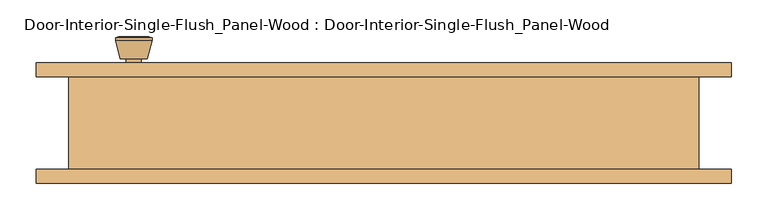
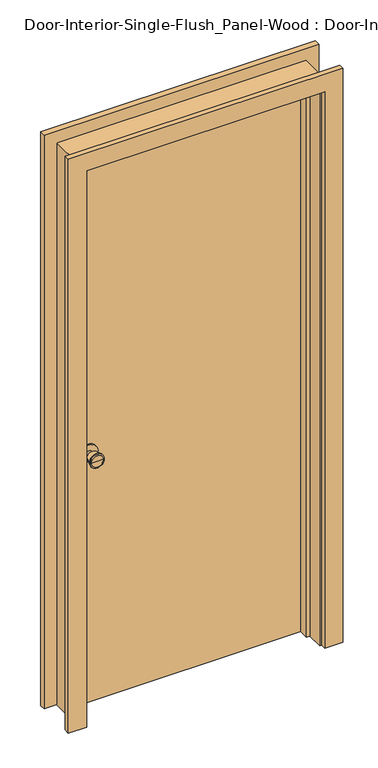
"""IFC4 building model written with IfcOpenShell, lengths in millimetres: door geometry, Door-Interior-Single-Flush_Panel-Wood : Door-Interior-Single-Flush_Panel-Wood."""

import ifcopenshell
import ifcopenshell.guid

model = None  # the IFC model being written
_history = None  # IfcOwnerHistory: only IFC2X3 demands one
_inside = {}  # id of a spatial element -> (the spatial element, [elements in it])
_under = {}  # id of a project, library or spatial element -> (it, [spatial elements below it])
_declared = {}  # id of a project -> (the project, [libraries it declares])
_typed = {}  # id of a type object -> (the type object, [elements of that type])
_made_of = {}  # id of a material, layer set ... -> (it, [elements and type objects made of it])


def new_model(schema):
    """Start an empty IFC model of exactly this schema.

    Asked for "IFC4X3", IfcOpenShell would pick the latest addendum, in which some entities
    have other attributes; the version numbers below select the first issue.
    IFC2X3 requires an IfcOwnerHistory on every rooted entity: one is made here for all.
    """
    global model, _history
    if schema == "IFC4X3":
        model = ifcopenshell.file(schema_version=(4, 3, 0, 0))
    else:
        model = ifcopenshell.file(schema=schema)
    _inside.clear()
    _under.clear()
    _declared.clear()
    _typed.clear()
    _made_of.clear()
    _history = None
    if model.schema == "IFC2X3":
        org = make("IfcOrganization", Name="unknown")
        user = make(
            "IfcPersonAndOrganization",
            ThePerson=make("IfcPerson", FamilyName="unknown"),
            TheOrganization=org,
        )
        app = make(
            "IfcApplication",
            ApplicationDeveloper=org,
            Version="unknown",
            ApplicationFullName="unknown",
            ApplicationIdentifier="unknown",
        )
        _history = make(
            "IfcOwnerHistory",
            OwningUser=user,
            OwningApplication=app,
            ChangeAction="ADDED",
            CreationDate=0,
        )
    return model


def make(cls, **values):
    """One entity of the class cls with the attributes given. An attribute that is None is left unset."""
    return model.create_entity(
        cls, **{name: value for name, value in values.items() if value is not None}
    )


def rooted(cls, **values):
    """An entity with a GlobalId (a new one), such as an element, a storey or a relation."""
    return make(cls, GlobalId=ifcopenshell.guid.new(), OwnerHistory=_history, **values)


def si_unit(unit_type, name, prefix=None):
    """IfcSIUnit, for example si_unit("LENGTHUNIT", "METRE", prefix="MILLI")."""
    return make("IfcSIUnit", UnitType=unit_type, Prefix=prefix, Name=name)


def assignment(units):
    """IfcUnitAssignment: the units of a project."""
    return None if units is None else make("IfcUnitAssignment", Units=units)


def point(xyz):
    """IfcCartesianPoint."""
    return None if xyz is None else make("IfcCartesianPoint", Coordinates=xyz)


def direction(xyz):
    """IfcDirection."""
    return None if xyz is None else make("IfcDirection", DirectionRatios=xyz)


def frame(location, z_axis=None, x_axis=None):
    """IfcAxis2Placement3D, a coordinate frame: its origin and axes. An axis left out is left unset."""
    return make(
        "IfcAxis2Placement3D",
        Location=point(location),
        Axis=direction(z_axis),
        RefDirection=direction(x_axis),
    )


def frame_2d(location, x_axis=None):
    """IfcAxis2Placement2D, a coordinate frame in the plane: its origin and x axis."""
    return make(
        "IfcAxis2Placement2D", Location=point(location), RefDirection=direction(x_axis)
    )


def origin():
    """The frame at (0, 0, 0) with its axes left unset."""
    return frame((0.0, 0.0, 0.0))


def origin_with_axes():
    """The frame at (0, 0, 0) with the z axis (0, 0, 1) and the x axis (1, 0, 0) written out."""
    return frame((0.0, 0.0, 0.0), z_axis=(0.0, 0.0, 1.0), x_axis=(1.0, 0.0, 0.0))


def place(relative_to, where):
    """IfcLocalPlacement: puts the frame where relative to a parent placement (None: the world)."""
    return make(
        "IfcLocalPlacement", PlacementRelTo=relative_to, RelativePlacement=where
    )


def context(
    kind, dimensions, precision=None, world=None, true_north=None, identifier=None
):
    """IfcGeometricRepresentationContext, for example the 3D "Model" context."""
    return make(
        "IfcGeometricRepresentationContext",
        ContextIdentifier=identifier,
        ContextType=kind,
        CoordinateSpaceDimension=dimensions,
        Precision=precision,
        WorldCoordinateSystem=world,
        TrueNorth=true_north,
    )


def project(units=None, contexts=None):
    """IfcProject with its units and contexts."""
    return rooted(
        "IfcProject",
        Name="project",
        RepresentationContexts=contexts,
        UnitsInContext=assignment(units),
    )


def spatial(cls, under=None, at=None, **own):
    """A site, building, storey or space (cls), placed at a placement, below another one or the project."""
    s = rooted(cls, ObjectPlacement=at, **own)
    if under is not None:
        _under.setdefault(under.id(), (under, []))[1].append(s)
    return s


def polyline(points):
    """IfcPolyline through the points."""
    return make("IfcPolyline", Points=[point(p) for p in points])


def circle_curve(where, radius):
    """IfcCircle in the frame where."""
    return make("IfcCircle", Position=where, Radius=radius)


def trimmed(basis, trim1, trim2, sense, master):
    """IfcTrimmedCurve: the piece of a basis curve between two trims."""
    return make(
        "IfcTrimmedCurve",
        BasisCurve=basis,
        Trim1=trim1,
        Trim2=trim2,
        SenseAgreement=sense,
        MasterRepresentation=master,
    )


def segment(curve, same_sense, transition):
    """IfcCompositeCurveSegment."""
    return make(
        "IfcCompositeCurveSegment",
        Transition=transition,
        SameSense=same_sense,
        ParentCurve=curve,
    )


def composite_curve(segments, self_intersect=None):
    """IfcCompositeCurve: segments joined end to end."""
    return make("IfcCompositeCurve", Segments=segments, SelfIntersect=self_intersect)


def outline(outer, holes=None, kind="AREA"):
    """IfcArbitraryClosedProfileDef: a profile drawn as a closed curve; with holes, ...WithVoids."""
    if holes is None:
        return make("IfcArbitraryClosedProfileDef", ProfileType=kind, OuterCurve=outer)
    return make(
        "IfcArbitraryProfileDefWithVoids",
        ProfileType=kind,
        OuterCurve=outer,
        InnerCurves=holes,
    )


def extrude(swept, where, along, depth):
    """IfcExtrudedAreaSolid: the profile swept, set in the frame where, extruded along a direction by depth."""
    return make(
        "IfcExtrudedAreaSolid",
        SweptArea=swept,
        Position=where,
        ExtrudedDirection=direction(along),
        Depth=depth,
    )


def faces_of(points, faces, orient=None, outer=None):
    """IfcFace entities. A face is a list of loops; a loop is a list of indices into points, from 0.

    orient and outer hold one flag for each loop. By default every Orientation is true, the
    first loop of a face is its IfcFaceOuterBound and the others are IfcFaceBound.
    """
    made = []
    for i, loops in enumerate(faces):
        bounds = []
        for j, loop in enumerate(loops):
            is_outer = j == 0 if outer is None else outer[i][j]
            bounds.append(
                make(
                    "IfcFaceOuterBound" if is_outer else "IfcFaceBound",
                    Bound=make("IfcPolyLoop", Polygon=[points[k] for k in loop]),
                    Orientation=True if orient is None else orient[i][j],
                )
            )
        made.append(make("IfcFace", Bounds=bounds))
    return made


def faceted_brep(points, faces, orient=None, outer=None, voids=None):
    """IfcFacetedBrep: a solid bounded by flat faces; with voids (closed shells), ...WithVoids."""
    shared = [point(p) for p in points]
    hull = make("IfcClosedShell", CfsFaces=faces_of(shared, faces, orient, outer))
    if voids is None:
        return make("IfcFacetedBrep", Outer=hull)
    return make(
        "IfcFacetedBrepWithVoids",
        Outer=hull,
        Voids=[
            make(cls, CfsFaces=faces_of(shared, fs, o, b)) for cls, fs, o, b in voids
        ],
    )


def shape(context_of_items, identifier, shape_type, items):
    """IfcShapeRepresentation: the items that make up one representation, for example the "Body"."""
    return make(
        "IfcShapeRepresentation",
        ContextOfItems=context_of_items,
        RepresentationIdentifier=identifier,
        RepresentationType=shape_type,
        Items=items,
    )


def source(mapping_origin, context_of_items, identifier, shape_type, items):
    """IfcRepresentationMap: a shape defined once, which mapped items show again and again."""
    return make(
        "IfcRepresentationMap",
        MappingOrigin=mapping_origin,
        MappedRepresentation=shape(context_of_items, identifier, shape_type, items),
    )


def transform(
    local_origin,
    x_axis=None,
    y_axis=None,
    z_axis=None,
    scale=None,
    scale2=None,
    scale3=None,
    uniform=True,
):
    """IfcCartesianTransformationOperator3D, or its non-uniform kind. x_axis, y_axis, z_axis: its Axis1, 2, 3."""
    if uniform:
        return make(
            "IfcCartesianTransformationOperator3D",
            Axis1=direction(x_axis),
            Axis2=direction(y_axis),
            LocalOrigin=point(local_origin),
            Scale=scale,
            Axis3=direction(z_axis),
        )
    return make(
        "IfcCartesianTransformationOperator3DnonUniform",
        Axis1=direction(x_axis),
        Axis2=direction(y_axis),
        LocalOrigin=point(local_origin),
        Scale=scale,
        Axis3=direction(z_axis),
        Scale2=scale2,
        Scale3=scale3,
    )


def mapped(mapping_source, mapping_target):
    """IfcMappedItem: shows the shape of a source again, moved by a transform."""
    return make(
        "IfcMappedItem", MappingSource=mapping_source, MappingTarget=mapping_target
    )


def made_of(thing, what):
    """Note that an element or type object is made of a material, layer set ...; save() writes the relation."""
    if what is not None:
        _made_of.setdefault(what.id(), (what, []))[1].append(thing)
    return thing


def element(
    cls,
    number,
    at=None,
    inside=None,
    cuts=None,
    type_object=None,
    material=None,
    context=None,
    identifier="Body",
    shape_type=None,
    held_by="IfcProductDefinitionShape",
    body=None,
    shapes=None,
    **own,
):
    """One element of the class cls, such as IfcWall. Its Tag is "e" and its number.

    at: its placement. inside: the storey or other place that contains it. cuts: it is an
    opening in that element (IfcRelVoidsElement). A single representation is given by context,
    identifier, shape_type and body (its items); several are given by shapes. held_by: the class
    of the entity that holds the representations. save() writes the other relations.
    """
    e = rooted(cls, Tag="e%d" % number, ObjectPlacement=at, **own)
    if body is not None:
        shapes = [shape(context, identifier, shape_type, body)]
    if shapes is not None:
        e.Representation = make(held_by, Representations=shapes)
    if inside is not None:
        _inside.setdefault(inside.id(), (inside, []))[1].append(e)
    if cuts is not None:
        rooted(
            "IfcRelVoidsElement", RelatingBuildingElement=cuts, RelatedOpeningElement=e
        )
    if type_object is not None:
        _typed.setdefault(type_object.id(), (type_object, []))[1].append(e)
    return made_of(e, material)


def aggregate(whole, parts):
    """IfcRelAggregates: a whole, such as a stair, and the parts it consists of."""
    return rooted("IfcRelAggregates", RelatingObject=whole, RelatedObjects=parts)


def save(model, path):
    """Write the relations noted so far, then the file.

    IfcRelAggregates (storeys below a building ...), IfcRelContainedInSpatialStructure (elements
    in a storey), IfcRelDefinesByType, IfcRelAssociatesMaterial and IfcRelDeclares: one each for
    every whole, place, type object, material and project.
    """
    for whole, parts in _under.values():
        aggregate(whole, parts)
    for where, things in _inside.values():
        rooted(
            "IfcRelContainedInSpatialStructure",
            RelatedElements=things,
            RelatingStructure=where,
        )
    for kind, things in _typed.values():
        rooted("IfcRelDefinesByType", RelatedObjects=things, RelatingType=kind)
    for what, things in _made_of.values():
        rooted("IfcRelAssociatesMaterial", RelatedObjects=things, RelatingMaterial=what)
    for by, libraries in _declared.values():
        rooted("IfcRelDeclares", RelatingContext=by, RelatedDefinitions=libraries)
    model.write(path)


def plane_surface(at):
    """IfcPlane: the flat surface through the origin of the frame at, square to its z axis."""
    return make("IfcPlane", Position=at)


def cylinder_surface(at, radius):
    """IfcCylindricalSurface: all points at the distance radius from the z axis of the frame at."""
    return make("IfcCylindricalSurface", Position=at, Radius=radius)


def revolved_surface(curve, axis_point, axis_direction):
    """IfcSurfaceOfRevolution: the curve turned about the line through axis_point along axis_direction."""
    return make(
        "IfcSurfaceOfRevolution",
        SweptCurve=make("IfcArbitraryOpenProfileDef", ProfileType="CURVE", Curve=curve),
        AxisPosition=make("IfcAxis1Placement", Location=point(axis_point), Axis=direction(axis_direction)),
    )


def advanced_brep(points, edges, surfaces, faces):
    """IfcAdvancedBrep: a solid bounded by faces that lie on surfaces and meet in shared edges.

    An edge is (start, end): straight between two places in points (the first is 0);
    or (start, end, curve); or (start, end, curve, False) where it runs against its curve.
    A face is (place in surfaces, loops), or (place, loops, False) where it looks against
    its surface's normal. A loop lists edges by number (the first is 1), with a minus sign
    where the edge is run from its end to its start. The first loop is the outer one.
    """
    corners = [point(p) for p in points]
    vertices = [make("IfcVertexPoint", VertexGeometry=c) for c in corners]
    made = []
    for start, end, *more in edges:
        made.append(
            make(
                "IfcEdgeCurve",
                EdgeStart=vertices[start],
                EdgeEnd=vertices[end],
                EdgeGeometry=more[0] if more else make("IfcPolyline", Points=[corners[start], corners[end]]),
                SameSense=more[1] if len(more) > 1 else True,
            )
        )
    hull = []
    for where, loops, *sense in faces:
        bounds = []
        for j, loop in enumerate(loops):
            ring = [make("IfcOrientedEdge", EdgeElement=made[abs(k) - 1], Orientation=k > 0) for k in loop]
            bounds.append(
                make(
                    "IfcFaceOuterBound" if j == 0 else "IfcFaceBound",
                    Bound=make("IfcEdgeLoop", EdgeList=ring),
                    Orientation=True,
                )
            )
        hull.append(make("IfcAdvancedFace", Bounds=bounds, FaceSurface=surfaces[where], SameSense=sense[0] if sense else True))
    return make("IfcAdvancedBrep", Outer=make("IfcClosedShell", CfsFaces=hull))


def door_interior_single_flush_panel_wood_door_interior_single_7cd24c4d(model_context):
    return source(origin(), model_context, "Body", "SolidModel", [
        advanced_brep(
        [(-342.9, 19.4, 914.4), (-332.9, 19.4, 914.4), (-352.9, 19.4, 914.4), (-322.4241324, -29.6, 914.4), (-342.9, -29.6, 914.4), (-363.3758676, -29.6, 914.4), (-317.9, -27.7721319, 914.4), (-367.9, -27.7721319, 914.4), (-317.9, -24.3084537, 914.4), (-367.9, -24.3084537, 914.4), (-324.263764, 0.4, 914.4), (-361.536236, 0.4, 914.4), (-332.9, 0.4, 914.4), (-352.9, 0.4, 914.4)],
        [
            (0, 1),
            (1, 2, circle_curve(frame((-342.9, 19.4, 914.4), z_axis=(0.0, 1.0, 0.0), x_axis=(-1.0, 0.0, 0.0)), 10.0)),
            (2, 0),
            (2, 1, circle_curve(frame((-342.9, 19.4, 914.4), z_axis=(0.0, 1.0, 0.0), x_axis=(-1.0, 0.0, 0.0)), 10.0)),
            (3, 4),
            (4, 5),
            (5, 3, circle_curve(frame((-342.9, -29.6, 914.4), z_axis=(0.0, -1.0, 0.0), x_axis=(-1.0, 0.0, 0.0)), 20.4758676)),
            (3, 5, circle_curve(frame((-342.9, -29.6, 914.4), z_axis=(0.0, -1.0, 0.0), x_axis=(-1.0, 0.0, 0.0)), 20.4758676)),
            (6, 3),
            (5, 7),
            (7, 6, circle_curve(frame((-342.9, -27.7721319, 914.4), z_axis=(0.0, -1.0, 0.0), x_axis=(-1.0, 0.0, 0.0)), 25.0)),
            (6, 7, circle_curve(frame((-342.9, -27.7721319, 914.4), z_axis=(0.0, -1.0, 0.0), x_axis=(-1.0, 0.0, 0.0)), 25.0)),
            (8, 6),
            (7, 9),
            (9, 8, circle_curve(frame((-342.9, -24.3084537, 914.4), z_axis=(0.0, -1.0, 0.0), x_axis=(-1.0, 0.0, 0.0)), 25.0)),
            (8, 9, circle_curve(frame((-342.9, -24.3084537, 914.4), z_axis=(0.0, -1.0, 0.0), x_axis=(-1.0, 0.0, 0.0)), 25.0)),
            (10, 8),
            (9, 11),
            (11, 10, circle_curve(frame((-342.9, 0.4, 914.4), z_axis=(0.0, -1.0, 0.0), x_axis=(-1.0, 0.0, 0.0)), 18.636236)),
            (10, 11, circle_curve(frame((-342.9, 0.4, 914.4), z_axis=(0.0, -1.0, 0.0), x_axis=(-1.0, 0.0, 0.0)), 18.636236)),
            (12, 10),
            (11, 13),
            (13, 12, circle_curve(frame((-342.9, 0.4, 914.4), z_axis=(0.0, -1.0, 0.0), x_axis=(-1.0, 0.0, 0.0)), 10.0)),
            (12, 13, circle_curve(frame((-342.9, 0.4, 914.4), z_axis=(0.0, -1.0, 0.0), x_axis=(-1.0, 0.0, 0.0)), 10.0)),
            (1, 12),
            (13, 2),
        ],
        [
            plane_surface(frame((-342.9, 19.4, 914.4), z_axis=(0.0, 1.0, 0.0), x_axis=(-1.0, 0.0, 0.0))),
            plane_surface(frame((-342.9, -29.6, 914.4), z_axis=(0.0, -1.0, 0.0), x_axis=(-1.0, 0.0, 0.0))),
            revolved_surface(polyline([(-363.3758676, -29.6, 914.4), (-367.9, -27.7721319, 914.4)]), (-342.9, 19.4, 914.4), (0.0, 1.0, 0.0)),
            cylinder_surface(frame((-342.9, 19.4, 914.4), z_axis=(0.0, 1.0, 0.0), x_axis=(-1.0, 0.0, 0.0)), 25.0),
            revolved_surface(polyline([(-367.9, -24.3084537, 914.4), (-361.536236, 0.4, 914.4)]), (-342.9, 19.4, 914.4), (0.0, 1.0, 0.0)),
            plane_surface(frame((-342.9, 0.4, 914.4), z_axis=(0.0, 1.0, 0.0), x_axis=(-1.0, 0.0, 0.0))),
            cylinder_surface(frame((-342.9, 19.4, 914.4), z_axis=(0.0, 1.0, 0.0), x_axis=(-1.0, 0.0, 0.0)), 10.0),
        ],
        [
            (0, [[1, 2, 3]]),
            (0, [[-3, 4, -1]]),
            (1, [[5, 6, 7]]),
            (1, [[-6, -5, 8]]),
            (2, [[9, -7, 10, 11]]),
            (2, [[-10, -8, -9, 12]]),
            (3, [[13, -11, 14, 15]]),
            (3, [[-14, -12, -13, 16]]),
            (4, [[17, -15, 18, 19]]),
            (4, [[-18, -16, -17, 20]]),
            (5, [[21, -19, 22, 23]]),
            (5, [[-22, -20, -21, 24]]),
            (6, [[25, -23, 26, -2]]),
            (6, [[-26, -24, -25, -4]]),
        ],
    ),
        extrude(outline(composite_curve([segment(trimmed(circle_curve(frame_2d((914.4, -342.9)), 30.0), [point((914.4, -372.9))], [point((914.4, -312.9))], False, "CARTESIAN"), True, "CONTINUOUS"), segment(trimmed(circle_curve(frame_2d((914.4, -342.9)), 30.0), [point((914.4, -312.9))], [point((914.4, -372.9))], False, "CARTESIAN"), True, "CONTINUOUS")], self_intersect=False)), frame((0.0, 19.4, 0.0), z_axis=(0.0, 1.0, 0.0), x_axis=(0.0, 0.0, 1.0)), (0.0, 0.0, 1.0), 6.0),
        advanced_brep(
        [(-342.9, 66.325, 914.4), (-352.9, 66.325, 914.4), (-332.9, 66.325, 914.4), (-322.4241324, 115.325, 914.4), (-363.3758676, 115.325, 914.4), (-342.9, 115.325, 914.4), (-317.9, 113.4971319, 914.4), (-367.9, 113.4971319, 914.4), (-317.9, 110.0334537, 914.4), (-367.9, 110.0334537, 914.4), (-324.263764, 85.325, 914.4), (-361.536236, 85.325, 914.4), (-332.9, 85.325, 914.4), (-352.9, 85.325, 914.4)],
        [
            (0, 1),
            (1, 2, circle_curve(frame((-342.9, 66.325, 914.4), z_axis=(0.0, -1.0, 0.0), x_axis=(-1.0, 0.0, 0.0)), 10.0)),
            (2, 0),
            (2, 1, circle_curve(frame((-342.9, 66.325, 914.4), z_axis=(0.0, -1.0, 0.0), x_axis=(-1.0, 0.0, 0.0)), 10.0)),
            (3, 4, circle_curve(frame((-342.9, 115.325, 914.4), z_axis=(0.0, 1.0, 0.0), x_axis=(-1.0, 0.0, 0.0)), 20.4758676)),
            (4, 5),
            (5, 3),
            (4, 3, circle_curve(frame((-342.9, 115.325, 914.4), z_axis=(0.0, 1.0, 0.0), x_axis=(-1.0, 0.0, 0.0)), 20.4758676)),
            (6, 7, circle_curve(frame((-342.9, 113.4971319, 914.4), z_axis=(0.0, 1.0, 0.0), x_axis=(-1.0, 0.0, 0.0)), 25.0)),
            (7, 4),
            (3, 6),
            (7, 6, circle_curve(frame((-342.9, 113.4971319, 914.4), z_axis=(0.0, 1.0, 0.0), x_axis=(-1.0, 0.0, 0.0)), 25.0)),
            (8, 9, circle_curve(frame((-342.9, 110.0334537, 914.4), z_axis=(0.0, 1.0, 0.0), x_axis=(-1.0, 0.0, 0.0)), 25.0)),
            (9, 7),
            (6, 8),
            (9, 8, circle_curve(frame((-342.9, 110.0334537, 914.4), z_axis=(0.0, 1.0, 0.0), x_axis=(-1.0, 0.0, 0.0)), 25.0)),
            (10, 11, circle_curve(frame((-342.9, 85.325, 914.4), z_axis=(0.0, 1.0, 0.0), x_axis=(-1.0, 0.0, 0.0)), 18.636236)),
            (11, 9),
            (8, 10),
            (11, 10, circle_curve(frame((-342.9, 85.325, 914.4), z_axis=(0.0, 1.0, 0.0), x_axis=(-1.0, 0.0, 0.0)), 18.636236)),
            (12, 13, circle_curve(frame((-342.9, 85.325, 914.4), z_axis=(0.0, 1.0, 0.0), x_axis=(-1.0, 0.0, 0.0)), 10.0)),
            (13, 11),
            (10, 12),
            (13, 12, circle_curve(frame((-342.9, 85.325, 914.4), z_axis=(0.0, 1.0, 0.0), x_axis=(-1.0, 0.0, 0.0)), 10.0)),
            (1, 13),
            (12, 2),
        ],
        [
            plane_surface(frame((-342.9, 66.325, 914.4), z_axis=(0.0, -1.0, 0.0), x_axis=(-1.0, 0.0, 0.0))),
            plane_surface(frame((-342.9, 115.325, 914.4), z_axis=(0.0, 1.0, 0.0), x_axis=(-1.0, 0.0, 0.0))),
            revolved_surface(polyline([(-363.3758676, 115.325, 914.4), (-367.9, 113.4971319, 914.4)]), (-342.9, 66.325, 914.4), (0.0, -1.0, 0.0)),
            cylinder_surface(frame((-342.9, 66.325, 914.4), z_axis=(0.0, -1.0, 0.0), x_axis=(-1.0, 0.0, 0.0)), 25.0),
            revolved_surface(polyline([(-367.9, 110.0334537, 914.4), (-361.536236, 85.325, 914.4)]), (-342.9, 66.325, 914.4), (0.0, -1.0, 0.0)),
            plane_surface(frame((-342.9, 85.325, 914.4), z_axis=(0.0, -1.0, 0.0), x_axis=(-1.0, 0.0, 0.0))),
            cylinder_surface(frame((-342.9, 66.325, 914.4), z_axis=(0.0, -1.0, 0.0), x_axis=(-1.0, 0.0, 0.0)), 10.0),
        ],
        [
            (0, [[1, 2, 3]]),
            (0, [[-3, 4, -1]]),
            (1, [[5, 6, 7]]),
            (1, [[8, -7, -6]]),
            (2, [[9, 10, -5, 11]]),
            (2, [[12, -11, -8, -10]]),
            (3, [[13, 14, -9, 15]]),
            (3, [[16, -15, -12, -14]]),
            (4, [[17, 18, -13, 19]]),
            (4, [[20, -19, -16, -18]]),
            (5, [[21, 22, -17, 23]]),
            (5, [[24, -23, -20, -22]]),
            (6, [[-2, 25, -21, 26]]),
            (6, [[-4, -26, -24, -25]]),
        ],
    ),
        extrude(outline(composite_curve([segment(trimmed(circle_curve(frame_2d((914.4, -342.9)), 30.0), [point((914.4, -372.9))], [point((914.4, -312.9))], False, "CARTESIAN"), True, "CONTINUOUS"), segment(trimmed(circle_curve(frame_2d((914.4, -342.9)), 30.0), [point((914.4, -312.9))], [point((914.4, -372.9))], False, "CARTESIAN"), True, "CONTINUOUS")], self_intersect=False)), frame((0.0, 60.325, 0.0), z_axis=(0.0, 1.0, 0.0), x_axis=(0.0, 0.0, 1.0)), (0.0, 0.0, 1.0), 6.0),
        extrude(outline(polyline([(406.4, 25.4), (-406.4, 25.4), (-406.4, 60.325), (406.4, 60.325), (406.4, 25.4)])), origin_with_axes(), (0.0, 0.0, 1.0), 2032.0),
        faceted_brep([(431.8, 60.325, 0.0), (431.8, -66.675, 0.0), (406.4, -66.675, 0.0), (406.4, -9.525, 0.0), (393.7, -9.525, 0.0), (393.7, 25.4, 0.0), (406.4, 25.4, 0.0), (406.4, 60.325, 0.0), (431.8, 60.325, 2057.4), (431.8, -66.675, 2057.4), (-431.8, -66.675, 2057.4), (-431.8, -66.675, 0.0), (-406.4, -66.675, 0.0), (-406.4, -66.675, 2032.0), (406.4, -66.675, 2032.0), (406.4, -9.525, 2032.0), (-406.4, -9.525, 2032.0), (-406.4, -9.525, 0.0), (-393.7, -9.525, 0.0), (-393.7, -9.525, 2019.3), (393.7, -9.525, 2019.3), (393.7, 25.4, 2019.3), (-393.7, 25.4, 2019.3), (-393.7, 25.4, 0.0), (-406.4, 25.4, 0.0), (-406.4, 25.4, 2032.0), (406.4, 25.4, 2032.0), (406.4, 60.325, 2032.0), (-406.4, 60.325, 2032.0), (-406.4, 60.325, 0.0), (-431.8, 60.325, 0.0), (-431.8, 60.325, 2057.4)], [[[0, 1, 2, 3, 4, 5, 6, 7]], [[1, 0, 8, 9]], [[2, 1, 9, 10, 11, 12, 13, 14]], [[3, 2, 14, 15]], [[4, 3, 15, 16, 17, 18, 19, 20]], [[5, 4, 20, 21]], [[6, 5, 21, 22, 23, 24, 25, 26]], [[7, 6, 26, 27]], [[0, 7, 27, 28, 29, 30, 31, 8]], [[9, 8, 31, 10]], [[15, 14, 13, 16]], [[21, 20, 19, 22]], [[27, 26, 25, 28]], [[30, 29, 24, 23, 18, 17, 12, 11]], [[10, 31, 30, 11]], [[16, 13, 12, 17]], [[22, 19, 18, 23]], [[28, 25, 24, 29]]]),
        extrude(outline(polyline([(0.0, 412.75), (0.0, 476.25), (2101.85, 476.25), (2101.85, -476.25), (0.0, -476.25), (0.0, -412.75), (2038.35, -412.75), (2038.35, 412.75), (0.0, 412.75)])), frame((0.0, -85.725, 0.0), z_axis=(0.0, 1.0, 0.0), x_axis=(0.0, 0.0, 1.0)), (0.0, 0.0, 1.0), 19.05),
        extrude(outline(polyline([(0.0, 412.75), (0.0, 476.25), (2101.85, 476.25), (2101.85, -476.25), (0.0, -476.25), (0.0, -412.75), (2038.35, -412.75), (2038.35, 412.75), (0.0, 412.75)])), frame((0.0, 60.325, 0.0), z_axis=(0.0, 1.0, 0.0), x_axis=(0.0, 0.0, 1.0)), (0.0, 0.0, 1.0), 19.05),
    ])


if __name__ == "__main__":
    model = new_model("IFC4")
    model_context = context("Model", 3, world=origin())
    ifc_project = project(units=[si_unit("LENGTHUNIT", "METRE", prefix="MILLI")], contexts=[model_context])
    site = spatial("IfcSite", under=ifc_project)
    building = spatial("IfcBuilding", under=site)
    placement = place(None, origin())
    door_interior_single_flush_panel_wood_door_interior_single_shape = door_interior_single_flush_panel_wood_door_interior_single_7cd24c4d(model_context)
    element("IfcDoor", 1, ObjectType="Door-Interior-Single-Flush_Panel-Wood : Door-Interior-Single-Flush_Panel-Wood", at=placement, inside=building, context=model_context, shape_type="MappedRepresentation", body=[
        mapped(door_interior_single_flush_panel_wood_door_interior_single_shape, transform((0.0, 0.0, 0.0), x_axis=(1.0, 0.0, 0.0), y_axis=(0.0, 1.0, 0.0), z_axis=(0.0, 0.0, 1.0))),
    ])
    save(model, "model.ifc")
